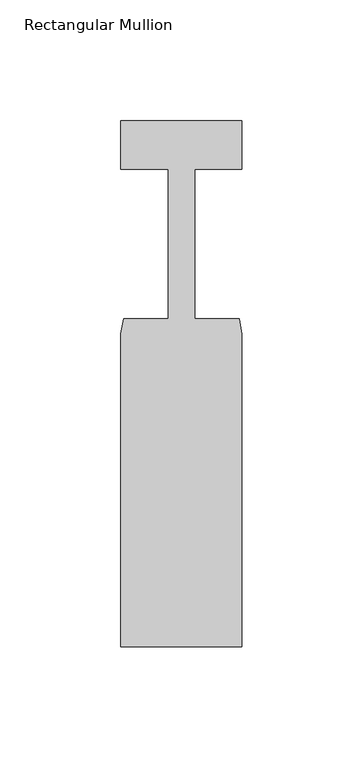
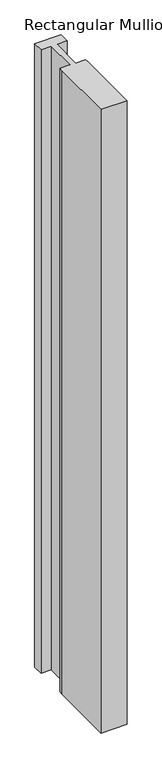
"""IFC4 building model written with IfcOpenShell, lengths in millimetres: member geometry, Rectangular Mullion."""

from ifc_helpers import new_model, si_unit, frame, origin, place, context, project, spatial, polyline, outline, extrude, source, transform, mapped, element, save


def rectangular_mullion_e5119cae(model_context):
    return source(origin(), model_context, "Body", "SweptSolid", [
        extrude(outline(polyline([(0.0, -161.3), (-50.0, -161.3), (-50.0, -32.0), (-48.9, -25.8), (-30.4999999, -25.8), (-30.4999999, 36.0), (-50.0, 36.0), (-50.0, 56.0), (0.0, 56.0), (0.0, 36.0), (-19.5, 36.0), (-19.5, -25.8), (-1.1, -25.8), (0.0, -32.0), (0.0, -161.3)])), frame((0.0, 0.0, -1250.0), z_axis=(0.0, 0.0, 1.0), x_axis=(1.0, 0.0, 0.0)), (0.0, 0.0, 1.0), 1250.0),
    ])


if __name__ == "__main__":
    model = new_model("IFC4")
    model_context = context("Model", 3, world=origin())
    ifc_project = project(units=[si_unit("LENGTHUNIT", "METRE", prefix="MILLI")], contexts=[model_context])
    site = spatial("IfcSite", under=ifc_project)
    building = spatial("IfcBuilding", under=site)
    placement = place(None, origin())
    rectangular_mullion_shape = rectangular_mullion_e5119cae(model_context)
    element("IfcMember", 1, ObjectType="Rectangular Mullion", at=placement, inside=building, context=model_context, shape_type="MappedRepresentation", body=[
        mapped(rectangular_mullion_shape, transform((0.0, 0.0, 0.0), x_axis=(1.0, 0.0, 0.0), y_axis=(0.0, 1.0, 0.0), z_axis=(0.0, 0.0, 1.0))),
    ])
    save(model, "model.ifc")
